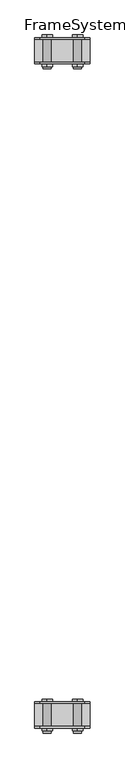
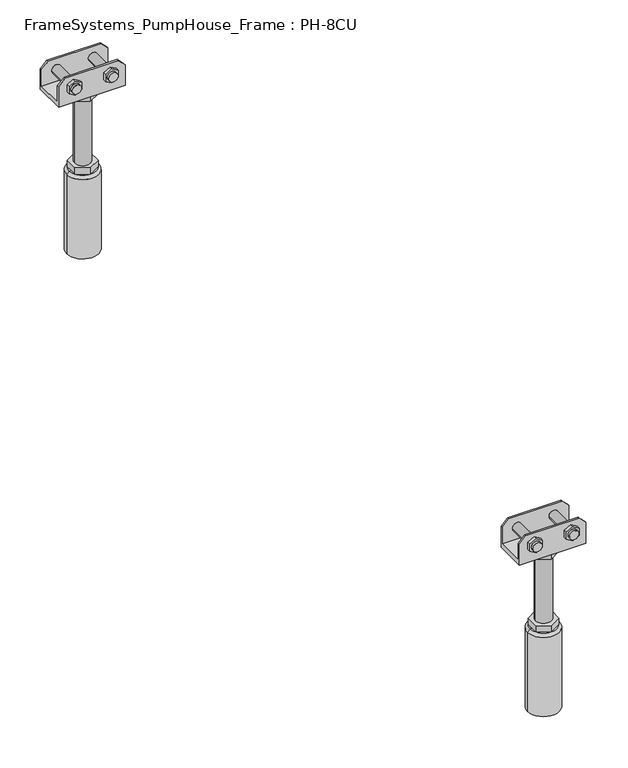
"""IFC4 building model written with IfcOpenShell, lengths in millimetres: beam geometry, FrameSystems_PumpHouse_Frame : PH-8CU."""

import ifcopenshell
import ifcopenshell.guid

model = None  # the IFC model being written
_history = None  # IfcOwnerHistory: only IFC2X3 demands one
_inside = {}  # id of a spatial element -> (the spatial element, [elements in it])
_under = {}  # id of a project, library or spatial element -> (it, [spatial elements below it])
_declared = {}  # id of a project -> (the project, [libraries it declares])
_typed = {}  # id of a type object -> (the type object, [elements of that type])
_made_of = {}  # id of a material, layer set ... -> (it, [elements and type objects made of it])


def new_model(schema):
    """Start an empty IFC model of exactly this schema.

    Asked for "IFC4X3", IfcOpenShell would pick the latest addendum, in which some entities
    have other attributes; the version numbers below select the first issue.
    IFC2X3 requires an IfcOwnerHistory on every rooted entity: one is made here for all.
    """
    global model, _history
    if schema == "IFC4X3":
        model = ifcopenshell.file(schema_version=(4, 3, 0, 0))
    else:
        model = ifcopenshell.file(schema=schema)
    _inside.clear()
    _under.clear()
    _declared.clear()
    _typed.clear()
    _made_of.clear()
    _history = None
    if model.schema == "IFC2X3":
        org = make("IfcOrganization", Name="unknown")
        user = make(
            "IfcPersonAndOrganization",
            ThePerson=make("IfcPerson", FamilyName="unknown"),
            TheOrganization=org,
        )
        app = make(
            "IfcApplication",
            ApplicationDeveloper=org,
            Version="unknown",
            ApplicationFullName="unknown",
            ApplicationIdentifier="unknown",
        )
        _history = make(
            "IfcOwnerHistory",
            OwningUser=user,
            OwningApplication=app,
            ChangeAction="ADDED",
            CreationDate=0,
        )
    return model


def make(cls, **values):
    """One entity of the class cls with the attributes given. An attribute that is None is left unset."""
    return model.create_entity(
        cls, **{name: value for name, value in values.items() if value is not None}
    )


def rooted(cls, **values):
    """An entity with a GlobalId (a new one), such as an element, a storey or a relation."""
    return make(cls, GlobalId=ifcopenshell.guid.new(), OwnerHistory=_history, **values)


def si_unit(unit_type, name, prefix=None):
    """IfcSIUnit, for example si_unit("LENGTHUNIT", "METRE", prefix="MILLI")."""
    return make("IfcSIUnit", UnitType=unit_type, Prefix=prefix, Name=name)


def assignment(units):
    """IfcUnitAssignment: the units of a project."""
    return None if units is None else make("IfcUnitAssignment", Units=units)


def point(xyz):
    """IfcCartesianPoint."""
    return None if xyz is None else make("IfcCartesianPoint", Coordinates=xyz)


def direction(xyz):
    """IfcDirection."""
    return None if xyz is None else make("IfcDirection", DirectionRatios=xyz)


def frame(location, z_axis=None, x_axis=None):
    """IfcAxis2Placement3D, a coordinate frame: its origin and axes. An axis left out is left unset."""
    return make(
        "IfcAxis2Placement3D",
        Location=point(location),
        Axis=direction(z_axis),
        RefDirection=direction(x_axis),
    )


def origin():
    """The frame at (0, 0, 0) with its axes left unset."""
    return frame((0.0, 0.0, 0.0))


def place(relative_to, where):
    """IfcLocalPlacement: puts the frame where relative to a parent placement (None: the world)."""
    return make(
        "IfcLocalPlacement", PlacementRelTo=relative_to, RelativePlacement=where
    )


def context(
    kind, dimensions, precision=None, world=None, true_north=None, identifier=None
):
    """IfcGeometricRepresentationContext, for example the 3D "Model" context."""
    return make(
        "IfcGeometricRepresentationContext",
        ContextIdentifier=identifier,
        ContextType=kind,
        CoordinateSpaceDimension=dimensions,
        Precision=precision,
        WorldCoordinateSystem=world,
        TrueNorth=true_north,
    )


def project(units=None, contexts=None):
    """IfcProject with its units and contexts."""
    return rooted(
        "IfcProject",
        Name="project",
        RepresentationContexts=contexts,
        UnitsInContext=assignment(units),
    )


def spatial(cls, under=None, at=None, **own):
    """A site, building, storey or space (cls), placed at a placement, below another one or the project."""
    s = rooted(cls, ObjectPlacement=at, **own)
    if under is not None:
        _under.setdefault(under.id(), (under, []))[1].append(s)
    return s


def polyline(points):
    """IfcPolyline through the points."""
    return make("IfcPolyline", Points=[point(p) for p in points])


def circle_curve(where, radius):
    """IfcCircle in the frame where."""
    return make("IfcCircle", Position=where, Radius=radius)


def shape(context_of_items, identifier, shape_type, items):
    """IfcShapeRepresentation: the items that make up one representation, for example the "Body"."""
    return make(
        "IfcShapeRepresentation",
        ContextOfItems=context_of_items,
        RepresentationIdentifier=identifier,
        RepresentationType=shape_type,
        Items=items,
    )


def source(mapping_origin, context_of_items, identifier, shape_type, items):
    """IfcRepresentationMap: a shape defined once, which mapped items show again and again."""
    return make(
        "IfcRepresentationMap",
        MappingOrigin=mapping_origin,
        MappedRepresentation=shape(context_of_items, identifier, shape_type, items),
    )


def transform(
    local_origin,
    x_axis=None,
    y_axis=None,
    z_axis=None,
    scale=None,
    scale2=None,
    scale3=None,
    uniform=True,
):
    """IfcCartesianTransformationOperator3D, or its non-uniform kind. x_axis, y_axis, z_axis: its Axis1, 2, 3."""
    if uniform:
        return make(
            "IfcCartesianTransformationOperator3D",
            Axis1=direction(x_axis),
            Axis2=direction(y_axis),
            LocalOrigin=point(local_origin),
            Scale=scale,
            Axis3=direction(z_axis),
        )
    return make(
        "IfcCartesianTransformationOperator3DnonUniform",
        Axis1=direction(x_axis),
        Axis2=direction(y_axis),
        LocalOrigin=point(local_origin),
        Scale=scale,
        Axis3=direction(z_axis),
        Scale2=scale2,
        Scale3=scale3,
    )


def mapped(mapping_source, mapping_target):
    """IfcMappedItem: shows the shape of a source again, moved by a transform."""
    return make(
        "IfcMappedItem", MappingSource=mapping_source, MappingTarget=mapping_target
    )


def made_of(thing, what):
    """Note that an element or type object is made of a material, layer set ...; save() writes the relation."""
    if what is not None:
        _made_of.setdefault(what.id(), (what, []))[1].append(thing)
    return thing


def element(
    cls,
    number,
    at=None,
    inside=None,
    cuts=None,
    type_object=None,
    material=None,
    context=None,
    identifier="Body",
    shape_type=None,
    held_by="IfcProductDefinitionShape",
    body=None,
    shapes=None,
    **own,
):
    """One element of the class cls, such as IfcWall. Its Tag is "e" and its number.

    at: its placement. inside: the storey or other place that contains it. cuts: it is an
    opening in that element (IfcRelVoidsElement). A single representation is given by context,
    identifier, shape_type and body (its items); several are given by shapes. held_by: the class
    of the entity that holds the representations. save() writes the other relations.
    """
    e = rooted(cls, Tag="e%d" % number, ObjectPlacement=at, **own)
    if body is not None:
        shapes = [shape(context, identifier, shape_type, body)]
    if shapes is not None:
        e.Representation = make(held_by, Representations=shapes)
    if inside is not None:
        _inside.setdefault(inside.id(), (inside, []))[1].append(e)
    if cuts is not None:
        rooted(
            "IfcRelVoidsElement", RelatingBuildingElement=cuts, RelatedOpeningElement=e
        )
    if type_object is not None:
        _typed.setdefault(type_object.id(), (type_object, []))[1].append(e)
    return made_of(e, material)


def aggregate(whole, parts):
    """IfcRelAggregates: a whole, such as a stair, and the parts it consists of."""
    return rooted("IfcRelAggregates", RelatingObject=whole, RelatedObjects=parts)


def save(model, path):
    """Write the relations noted so far, then the file.

    IfcRelAggregates (storeys below a building ...), IfcRelContainedInSpatialStructure (elements
    in a storey), IfcRelDefinesByType, IfcRelAssociatesMaterial and IfcRelDeclares: one each for
    every whole, place, type object, material and project.
    """
    for whole, parts in _under.values():
        aggregate(whole, parts)
    for where, things in _inside.values():
        rooted(
            "IfcRelContainedInSpatialStructure",
            RelatedElements=things,
            RelatingStructure=where,
        )
    for kind, things in _typed.values():
        rooted("IfcRelDefinesByType", RelatedObjects=things, RelatingType=kind)
    for what, things in _made_of.values():
        rooted("IfcRelAssociatesMaterial", RelatedObjects=things, RelatingMaterial=what)
    for by, libraries in _declared.values():
        rooted("IfcRelDeclares", RelatingContext=by, RelatedDefinitions=libraries)
    model.write(path)


def plane_surface(at):
    """IfcPlane: the flat surface through the origin of the frame at, square to its z axis."""
    return make("IfcPlane", Position=at)


def cylinder_surface(at, radius):
    """IfcCylindricalSurface: all points at the distance radius from the z axis of the frame at."""
    return make("IfcCylindricalSurface", Position=at, Radius=radius)


def revolved_surface(curve, axis_point, axis_direction):
    """IfcSurfaceOfRevolution: the curve turned about the line through axis_point along axis_direction."""
    return make(
        "IfcSurfaceOfRevolution",
        SweptCurve=make("IfcArbitraryOpenProfileDef", ProfileType="CURVE", Curve=curve),
        AxisPosition=make("IfcAxis1Placement", Location=point(axis_point), Axis=direction(axis_direction)),
    )


def advanced_brep(points, edges, surfaces, faces):
    """IfcAdvancedBrep: a solid bounded by faces that lie on surfaces and meet in shared edges.

    An edge is (start, end): straight between two places in points (the first is 0);
    or (start, end, curve); or (start, end, curve, False) where it runs against its curve.
    A face is (place in surfaces, loops), or (place, loops, False) where it looks against
    its surface's normal. A loop lists edges by number (the first is 1), with a minus sign
    where the edge is run from its end to its start. The first loop is the outer one.
    """
    corners = [point(p) for p in points]
    vertices = [make("IfcVertexPoint", VertexGeometry=c) for c in corners]
    made = []
    for start, end, *more in edges:
        made.append(
            make(
                "IfcEdgeCurve",
                EdgeStart=vertices[start],
                EdgeEnd=vertices[end],
                EdgeGeometry=more[0] if more else make("IfcPolyline", Points=[corners[start], corners[end]]),
                SameSense=more[1] if len(more) > 1 else True,
            )
        )
    hull = []
    for where, loops, *sense in faces:
        bounds = []
        for j, loop in enumerate(loops):
            ring = [make("IfcOrientedEdge", EdgeElement=made[abs(k) - 1], Orientation=k > 0) for k in loop]
            bounds.append(
                make(
                    "IfcFaceOuterBound" if j == 0 else "IfcFaceBound",
                    Bound=make("IfcEdgeLoop", EdgeList=ring),
                    Orientation=True,
                )
            )
        hull.append(make("IfcAdvancedFace", Bounds=bounds, FaceSurface=surfaces[where], SameSense=sense[0] if sense else True))
    return make("IfcAdvancedBrep", Outer=make("IfcClosedShell", CfsFaces=hull))


def framesystems_pumphouse_frame_ph_8cu_a169cb61(model_context):
    return source(origin(), model_context, "Body", "AdvancedBrep", [
        advanced_brep(
        [(2440.0, 1179.25, 316.0), (2450.0, 1179.25, 306.0), (2450.0, 1179.25, 280.0), (2350.0, 1179.25, 280.0), (2350.0, 1179.25, 306.0), (2360.0, 1179.25, 316.0), (2434.5, 1179.25, 299.0), (2420.5, 1179.25, 299.0), (2379.5, 1179.25, 299.0), (2365.5, 1179.25, 299.0), (2440.0, 1176.25, 316.0), (2360.0, 1176.25, 316.0), (2350.0, 1176.25, 306.0), (2350.0, 1176.25, 273.0), (2450.0, 1176.25, 273.0), (2450.0, 1176.25, 306.0), (2417.9194511, 1176.25, 293.4686675), (2417.9194511, 1176.25, 304.5313325), (2427.5, 1176.25, 310.062665), (2437.0805489, 1176.25, 304.5313325), (2437.0805489, 1176.25, 293.4686675), (2427.5, 1176.25, 287.937335), (2362.9194511, 1176.25, 293.4686675), (2362.9194511, 1176.25, 304.5313325), (2372.5, 1176.25, 310.062665), (2382.0805489, 1176.25, 304.5313325), (2382.0805489, 1176.25, 293.4686675), (2372.5, 1176.25, 287.937335), (2440.0, 1223.653247, 316.0), (2450.0, 1223.653247, 306.0), (2450.0, 1223.653247, 273.0), (2350.0, 1223.653247, 273.0), (2350.0, 1223.653247, 306.0), (2360.0, 1223.653247, 316.0), (2437.0805489, 1223.653247, 304.5313325), (2427.5, 1223.653247, 310.062665), (2417.9194511, 1223.653247, 304.5313325), (2417.9194511, 1223.653247, 293.4686675), (2427.5, 1223.653247, 287.937335), (2437.0805489, 1223.653247, 293.4686675), (2382.0805489, 1223.653247, 304.5313325), (2372.5, 1223.653247, 310.062665), (2362.9194511, 1223.653247, 304.5313325), (2362.9194511, 1223.653247, 293.4686675), (2372.5, 1223.653247, 287.937335), (2382.0805489, 1223.653247, 293.4686675), (2350.0, 1220.75, 280.0), (2350.0, 1220.75, 306.0), (2450.0, 1220.75, 280.0), (2450.0, 1220.75, 306.0), (2440.0, 1220.75, 316.0), (2360.0, 1220.75, 316.0), (2420.5, 1220.75, 299.0), (2434.5, 1220.75, 299.0), (2365.5, 1220.75, 299.0), (2379.5, 1220.75, 299.0), (2382.6794919, 1210.0, 273.0), (2382.6794919, 1190.0, 273.0), (2400.0, 1180.0, 273.0), (2417.3205081, 1190.0, 273.0), (2417.3205081, 1210.0, 273.0), (2400.0, 1220.0, 273.0), (2420.5, 1167.3051094, 299.0), (2434.5, 1167.3051094, 299.0), (2365.5, 1167.3051094, 299.0), (2379.5, 1167.3051094, 299.0), (2434.5, 1171.25, 299.0), (2420.5, 1171.25, 299.0), (2379.5, 1171.25, 299.0), (2365.5, 1171.25, 299.0), (2427.5, 1228.653247, 310.062665), (2437.0805489, 1228.653247, 304.5313325), (2437.0805489, 1228.653247, 293.4686675), (2427.5, 1228.653247, 287.937335), (2417.9194511, 1228.653247, 293.4686675), (2417.9194511, 1228.653247, 304.5313325), (2372.5, 1228.653247, 310.062665), (2382.0805489, 1228.653247, 304.5313325), (2382.0805489, 1228.653247, 293.4686675), (2372.5, 1228.653247, 287.937335), (2362.9194511, 1228.653247, 293.4686675), (2362.9194511, 1228.653247, 304.5313325), (2388.0, 1200.0, 263.0), (2388.0, 1200.0, 157.0), (2412.0, 1200.0, 157.0), (2412.0, 1200.0, 263.0), (2382.6794919, 1210.0, 263.0), (2400.0, 1220.0, 263.0), (2417.3205081, 1210.0, 263.0), (2417.3205081, 1190.0, 263.0), (2400.0, 1180.0, 263.0), (2382.6794919, 1190.0, 263.0), (2382.6794919, 1210.0, 157.0), (2382.6794919, 1190.0, 157.0), (2400.0, 1180.0, 157.0), (2417.3205081, 1190.0, 157.0), (2417.3205081, 1210.0, 157.0), (2400.0, 1220.0, 157.0), (2382.6794919, 1210.0, 147.0), (2382.6794919, 1200.0, 147.0), (2382.6794919, 1190.0, 147.0), (2400.0, 1180.0, 147.0), (2417.3205081, 1190.0, 147.0), (2417.3205081, 1200.0, 147.0), (2417.3205081, 1210.0, 147.0), (2400.0, 1220.0, 147.0), (2380.0, 1200.0, 147.0), (2420.0, 1200.0, 147.0), (2424.0, 1200.0, 143.0), (2376.0, 1200.0, 143.0), (2424.0, 1200.0, 17.0), (2376.0, 1200.0, 17.0), (2400.0, 1200.0, 17.0), (2417.9194511, 1171.25, 304.5313325), (2417.9194511, 1171.25, 293.4686675), (2427.5, 1171.25, 287.937335), (2437.0805489, 1171.25, 293.4686675), (2437.0805489, 1171.25, 304.5313325), (2427.5, 1171.25, 310.062665), (2362.9194511, 1171.25, 304.5313325), (2362.9194511, 1171.25, 293.4686675), (2372.5, 1171.25, 287.937335), (2382.0805489, 1171.25, 293.4686675), (2382.0805489, 1171.25, 304.5313325), (2372.5, 1171.25, 310.062665)],
        [
            (0, 1),
            (1, 2),
            (2, 3),
            (3, 4),
            (4, 5),
            (5, 0),
            (6, 7, circle_curve(frame((2427.5, 1179.25, 299.0), z_axis=(0.0, -1.0, 0.0), x_axis=(-1.0, 0.0, 0.0)), 7.0)),
            (7, 6, circle_curve(frame((2427.5, 1179.25, 299.0), z_axis=(0.0, -1.0, 0.0), x_axis=(-1.0, 0.0, 0.0)), 7.0)),
            (8, 9, circle_curve(frame((2372.5, 1179.25, 299.0), z_axis=(0.0, -1.0, 0.0), x_axis=(-1.0, 0.0, 0.0)), 7.0)),
            (9, 8, circle_curve(frame((2372.5, 1179.25, 299.0), z_axis=(0.0, -1.0, 0.0), x_axis=(-1.0, 0.0, 0.0)), 7.0)),
            (10, 11),
            (11, 12),
            (12, 13),
            (13, 14),
            (14, 15),
            (15, 10),
            (16, 17),
            (17, 18),
            (18, 19),
            (19, 20),
            (20, 21),
            (21, 16),
            (22, 23),
            (23, 24),
            (24, 25),
            (25, 26),
            (26, 27),
            (27, 22),
            (5, 11),
            (10, 0),
            (4, 12),
            (15, 1),
            (28, 29),
            (29, 30),
            (30, 31),
            (31, 32),
            (32, 33),
            (33, 28),
            (34, 35),
            (35, 36),
            (36, 37),
            (37, 38),
            (38, 39),
            (39, 34),
            (40, 41),
            (41, 42),
            (42, 43),
            (43, 44),
            (44, 45),
            (45, 40),
            (46, 47),
            (47, 32),
            (31, 13),
            (3, 46),
            (46, 48),
            (48, 49),
            (49, 50),
            (50, 51),
            (51, 47),
            (52, 53, circle_curve(frame((2427.5, 1220.75, 299.0), z_axis=(0.0, 1.0, 0.0), x_axis=(-1.0, 0.0, 0.0)), 7.0)),
            (53, 52, circle_curve(frame((2427.5, 1220.75, 299.0), z_axis=(0.0, 1.0, 0.0), x_axis=(-1.0, 0.0, 0.0)), 7.0)),
            (54, 55, circle_curve(frame((2372.5, 1220.75, 299.0), z_axis=(0.0, 1.0, 0.0), x_axis=(-1.0, 0.0, 0.0)), 7.0)),
            (55, 54, circle_curve(frame((2372.5, 1220.75, 299.0), z_axis=(0.0, 1.0, 0.0), x_axis=(-1.0, 0.0, 0.0)), 7.0)),
            (48, 2),
            (14, 30),
            (29, 49),
            (50, 28),
            (33, 51),
            (56, 57),
            (57, 58),
            (58, 59),
            (59, 60),
            (60, 61),
            (61, 56),
            (62, 63, circle_curve(frame((2427.5, 1167.3051094, 299.0), z_axis=(0.0, -1.0, 0.0), x_axis=(-1.0, 0.0, 0.0)), 7.0)),
            (63, 62, circle_curve(frame((2427.5, 1167.3051094, 299.0), z_axis=(0.0, -1.0, 0.0), x_axis=(-1.0, 0.0, 0.0)), 7.0)),
            (64, 65, circle_curve(frame((2372.5, 1167.3051094, 299.0), z_axis=(0.0, -1.0, 0.0), x_axis=(-1.0, 0.0, 0.0)), 7.0)),
            (65, 64, circle_curve(frame((2372.5, 1167.3051094, 299.0), z_axis=(0.0, -1.0, 0.0), x_axis=(-1.0, 0.0, 0.0)), 7.0)),
            (63, 66),
            (66, 67, circle_curve(frame((2427.5, 1171.25, 299.0), z_axis=(0.0, -1.0, 0.0), x_axis=(-1.0, 0.0, 0.0)), 7.0)),
            (67, 62),
            (6, 53),
            (52, 7),
            (67, 66, circle_curve(frame((2427.5, 1171.25, 299.0), z_axis=(0.0, -1.0, 0.0), x_axis=(-1.0, 0.0, 0.0)), 7.0)),
            (65, 68),
            (68, 69, circle_curve(frame((2372.5, 1171.25, 299.0), z_axis=(0.0, -1.0, 0.0), x_axis=(-1.0, 0.0, 0.0)), 7.0)),
            (69, 64),
            (8, 55),
            (54, 9),
            (69, 68, circle_curve(frame((2372.5, 1171.25, 299.0), z_axis=(0.0, -1.0, 0.0), x_axis=(-1.0, 0.0, 0.0)), 7.0)),
            (70, 71),
            (71, 72),
            (72, 73),
            (73, 74),
            (74, 75),
            (75, 70),
            (76, 77),
            (77, 78),
            (78, 79),
            (79, 80),
            (80, 81),
            (81, 76),
            (70, 35),
            (34, 71),
            (39, 72),
            (38, 73),
            (37, 74),
            (36, 75),
            (76, 41),
            (40, 77),
            (45, 78),
            (44, 79),
            (43, 80),
            (42, 81),
            (82, 83),
            (83, 84, circle_curve(frame((2400.0, 1200.0, 157.0), z_axis=(0.0, 0.0, 1.0), x_axis=(1.0, 0.0, 0.0)), 12.0)),
            (84, 85),
            (85, 82, circle_curve(frame((2400.0, 1200.0, 263.0), z_axis=(0.0, 0.0, -1.0), x_axis=(1.0, 0.0, 0.0)), 12.0)),
            (82, 85, circle_curve(frame((2400.0, 1200.0, 263.0), z_axis=(0.0, 0.0, -1.0), x_axis=(1.0, 0.0, 0.0)), 12.0)),
            (84, 83, circle_curve(frame((2400.0, 1200.0, 157.0), z_axis=(0.0, 0.0, 1.0), x_axis=(1.0, 0.0, 0.0)), 12.0)),
            (86, 87),
            (87, 88),
            (88, 89),
            (89, 90),
            (90, 91),
            (91, 86),
            (91, 57),
            (56, 86),
            (90, 58),
            (89, 59),
            (88, 60),
            (87, 61),
            (92, 93),
            (93, 94),
            (94, 95),
            (95, 96),
            (96, 97),
            (97, 92),
            (92, 98),
            (98, 99),
            (99, 100),
            (100, 93),
            (100, 101),
            (101, 94),
            (101, 102),
            (102, 95),
            (102, 103),
            (103, 104),
            (104, 96),
            (104, 105),
            (105, 97),
            (105, 98),
            (98, 106, circle_curve(frame((2400.0, 1200.0, 147.0), z_axis=(0.0, 0.0, 1.0), x_axis=(-1.0, 0.0, 0.0)), 20.0)),
            (106, 99),
            (105, 98, circle_curve(frame((2400.0, 1200.0, 147.0), z_axis=(0.0, 0.0, 1.0), x_axis=(-1.0, 0.0, 0.0)), 20.0)),
            (104, 105, circle_curve(frame((2400.0, 1200.0, 147.0), z_axis=(0.0, 0.0, 1.0), x_axis=(-1.0, 0.0, 0.0)), 20.0)),
            (107, 104, circle_curve(frame((2400.0, 1200.0, 147.0), z_axis=(0.0, 0.0, 1.0), x_axis=(-1.0, 0.0, 0.0)), 20.0)),
            (103, 107),
            (102, 107, circle_curve(frame((2400.0, 1200.0, 147.0), z_axis=(0.0, 0.0, 1.0), x_axis=(-1.0, 0.0, 0.0)), 20.0)),
            (101, 102, circle_curve(frame((2400.0, 1200.0, 147.0), z_axis=(0.0, 0.0, 1.0), x_axis=(-1.0, 0.0, 0.0)), 20.0)),
            (100, 101, circle_curve(frame((2400.0, 1200.0, 147.0), z_axis=(0.0, 0.0, 1.0), x_axis=(-1.0, 0.0, 0.0)), 20.0)),
            (106, 100, circle_curve(frame((2400.0, 1200.0, 147.0), z_axis=(0.0, 0.0, 1.0), x_axis=(-1.0, 0.0, 0.0)), 20.0)),
            (108, 109, circle_curve(frame((2400.0, 1200.0, 143.0), z_axis=(0.0, 0.0, 1.0), x_axis=(-1.0, 0.0, 0.0)), 24.0)),
            (109, 106),
            (107, 108),
            (109, 108, circle_curve(frame((2400.0, 1200.0, 143.0), z_axis=(0.0, 0.0, 1.0), x_axis=(-1.0, 0.0, 0.0)), 24.0)),
            (108, 110),
            (110, 111, circle_curve(frame((2400.0, 1200.0, 17.0), z_axis=(0.0, 0.0, 1.0), x_axis=(-1.0, 0.0, 0.0)), 24.0)),
            (111, 109),
            (111, 110, circle_curve(frame((2400.0, 1200.0, 17.0), z_axis=(0.0, 0.0, 1.0), x_axis=(-1.0, 0.0, 0.0)), 24.0)),
            (110, 112),
            (112, 111),
            (113, 114),
            (114, 115),
            (115, 116),
            (116, 117),
            (117, 118),
            (118, 113),
            (113, 17),
            (16, 114),
            (21, 115),
            (20, 116),
            (19, 117),
            (18, 118),
            (119, 120),
            (120, 121),
            (121, 122),
            (122, 123),
            (123, 124),
            (124, 119),
            (119, 23),
            (22, 120),
            (27, 121),
            (26, 122),
            (25, 123),
            (24, 124),
        ],
        [
            plane_surface(frame((2384.0150941, 1179.25, 316.0), z_axis=(0.0, 1.0, 0.0), x_axis=(1.0, 0.0, 0.0))),
            plane_surface(frame((2384.0150941, 1176.25, 316.0), z_axis=(0.0, -1.0, 0.0), x_axis=(-1.0, 0.0, 0.0))),
            plane_surface(frame((2440.0, 1176.25, 316.0), z_axis=(0.0, 0.0, 1.0), x_axis=(0.0, 1.0, 0.0))),
            plane_surface(frame((2360.0, 1176.25, 316.0), z_axis=(-0.7071067811865467, 0.0, 0.7071067811865485), x_axis=(0.0, 1.0, 0.0))),
            plane_surface(frame((2450.0, 1176.25, 306.0), z_axis=(0.7071067811865488, 0.0, 0.7071067811865464), x_axis=(0.0, 1.0, 0.0))),
            plane_surface(frame((2450.0, 1223.653247, 306.0), z_axis=(0.0, 1.0, 0.0), x_axis=(0.0, 0.0, -1.0))),
            plane_surface(frame((2350.0, 1223.653247, 306.0), z_axis=(-1.0, 0.0, 0.0), x_axis=(0.0, 0.0, -1.0))),
            plane_surface(frame((2350.0, 1220.75, 306.0), z_axis=(0.0, -1.0, 0.0), x_axis=(0.0, 0.0, -1.0))),
            plane_surface(frame((2450.0, 1220.75, 306.0), z_axis=(1.0, 0.0, 0.0), x_axis=(0.0, 0.0, -1.0))),
            plane_surface(frame((2360.0, 1223.75, 316.0), z_axis=(0.0, 0.0, 1.0), x_axis=(0.0, -1.0, 0.0))),
            plane_surface(frame((2350.0, 1223.75, 306.0), z_axis=(-0.7071067811865467, 0.0, 0.7071067811865485), x_axis=(0.0, -1.0, 0.0))),
            plane_surface(frame((2440.0, 1223.75, 316.0), z_axis=(0.7071067811865493, 0.0, 0.7071067811865457), x_axis=(0.0, -1.0, 0.0))),
            plane_surface(frame((2400.0, 1223.75, 280.0), z_axis=(0.0, 0.0, 1.0), x_axis=(-1.0, 0.0, 0.0))),
            plane_surface(frame((2400.0, 1223.75, 273.0), z_axis=(0.0, 0.0, -1.0), x_axis=(1.0, 0.0, 0.0))),
            plane_surface(frame((2420.5, 1167.3051094, 299.0), z_axis=(0.0, -1.0, 0.0), x_axis=(0.0, 0.0, -1.0))),
            cylinder_surface(frame((2427.5, 1167.3051094, 299.0), z_axis=(0.0, 1.0, 0.0), x_axis=(-1.0, 0.0, 0.0)), 7.0),
            cylinder_surface(frame((2372.5, 1223.653247, 299.0), z_axis=(0.0, 1.0, 0.0), x_axis=(-1.0, 0.0, 0.0)), 7.0),
            plane_surface(frame((2427.5, 1228.653247, 310.062665), z_axis=(0.0, 1.0000000000000002, 0.0), x_axis=(0.8660254037844375, 0.0, -0.5000000000000022))),
            plane_surface(frame((2427.5, 1228.653247, 310.062665), z_axis=(0.5000000000000022, 0.0, 0.8660254037844375), x_axis=(0.0, -1.0, 0.0))),
            plane_surface(frame((2437.0805489, 1228.653247, 304.5313325), z_axis=(1.0, 0.0, 0.0), x_axis=(0.0, -1.0, 0.0))),
            plane_surface(frame((2437.0805489, 1228.653247, 293.4686675), z_axis=(0.4999999999999969, 0.0, -0.8660254037844405), x_axis=(0.0, -1.0, 0.0))),
            plane_surface(frame((2427.5, 1228.653247, 287.937335), z_axis=(-0.5000000000000034, 0.0, -0.8660254037844367), x_axis=(0.0, -1.0, 0.0))),
            plane_surface(frame((2417.9194511, 1228.653247, 293.4686675), z_axis=(-1.0, 0.0, 0.0), x_axis=(0.0, -1.0, 0.0))),
            plane_surface(frame((2417.9194511, 1228.653247, 304.5313325), z_axis=(-0.49999999999999684, 0.0, 0.8660254037844405), x_axis=(0.0, -1.0, 0.0))),
            plane_surface(frame((2372.5, 1228.653247, 310.062665), z_axis=(0.5000000000000023, 0.0, 0.8660254037844374), x_axis=(0.0, -1.0, 0.0))),
            plane_surface(frame((2382.0805489, 1228.653247, 304.5313325), z_axis=(1.0, 0.0, 0.0), x_axis=(0.0, -1.0, 0.0))),
            plane_surface(frame((2382.0805489, 1228.653247, 293.4686675), z_axis=(0.4999999999999969, 0.0, -0.8660254037844405), x_axis=(0.0, -1.0, 0.0))),
            plane_surface(frame((2372.5, 1228.653247, 287.937335), z_axis=(-0.5000000000000033, 0.0, -0.8660254037844368), x_axis=(0.0, -1.0, 0.0))),
            plane_surface(frame((2362.9194511, 1228.653247, 293.4686675), z_axis=(-1.0, 0.0, 0.0), x_axis=(0.0, -1.0, 0.0))),
            plane_surface(frame((2362.9194511, 1228.653247, 304.5313325), z_axis=(-0.4999999999999967, 0.0, 0.8660254037844405), x_axis=(0.0, -1.0, 0.0))),
            cylinder_surface(frame((2400.0, 1200.0, 157.0), z_axis=(0.0, 0.0, 1.0), x_axis=(1.0, 0.0, 0.0)), 12.0),
            plane_surface(frame((2382.6794919, 1210.0, 263.0), z_axis=(0.0, 0.0, -1.0), x_axis=(0.0, 1.0, 0.0))),
            plane_surface(frame((2382.6794919, 1210.0, 273.0), z_axis=(-1.0, 0.0, 0.0), x_axis=(0.0, 0.0, -1.0))),
            plane_surface(frame((2382.6794919, 1190.0, 273.0), z_axis=(-0.5000000000000034, -0.8660254037844367, 0.0), x_axis=(0.0, 0.0, -1.0))),
            plane_surface(frame((2400.0, 1180.0, 273.0), z_axis=(0.4999999999999958, -0.8660254037844412, 0.0), x_axis=(0.0, 0.0, -1.0))),
            plane_surface(frame((2417.3205081, 1190.0, 273.0), z_axis=(1.0, 0.0, 0.0), x_axis=(0.0, 0.0, -1.0))),
            plane_surface(frame((2417.3205081, 1210.0, 273.0), z_axis=(0.5000000000000064, 0.866025403784435, 0.0), x_axis=(0.0, 0.0, -1.0))),
            plane_surface(frame((2400.0, 1220.0, 273.0), z_axis=(-0.4999999999999984, 0.8660254037844396, 0.0), x_axis=(0.0, 0.0, -1.0))),
            plane_surface(frame((2382.6794919, 1210.0, 157.0), z_axis=(0.0, 0.0, 1.0), x_axis=(0.0, -1.0, 0.0))),
            plane_surface(frame((2382.6794919, 1210.0, 157.0), z_axis=(-1.0, 0.0, 0.0), x_axis=(0.0, 0.0, -1.0))),
            plane_surface(frame((2382.6794919, 1190.0, 157.0), z_axis=(-0.5000000000000034, -0.8660254037844367, 0.0), x_axis=(0.0, 0.0, -1.0))),
            plane_surface(frame((2400.0, 1180.0, 157.0), z_axis=(0.49999999999999545, -0.8660254037844413, 0.0), x_axis=(0.0, 0.0, -1.0))),
            plane_surface(frame((2417.3205081, 1190.0, 157.0), z_axis=(1.0, 0.0, 0.0), x_axis=(0.0, 0.0, -1.0))),
            plane_surface(frame((2417.3205081, 1210.0, 157.0), z_axis=(0.5000000000000064, 0.866025403784435, 0.0), x_axis=(0.0, 0.0, -1.0))),
            plane_surface(frame((2400.0, 1220.0, 157.0), z_axis=(-0.49999999999999845, 0.8660254037844396, 0.0), x_axis=(0.0, 0.0, -1.0))),
            plane_surface(frame((2400.0, 1200.0, 147.0), z_axis=(0.0, 0.0, 1.0), x_axis=(-1.0, 0.0, 0.0))),
            revolved_surface(polyline([(2380.0, 1200.0, 147.0), (2376.0, 1200.0, 143.0)]), (2400.0, 1200.0, 172.0), (0.0, 0.0, -1.0)),
            cylinder_surface(frame((2400.0, 1200.0, 172.0), z_axis=(0.0, 0.0, -1.0), x_axis=(-1.0, 0.0, 0.0)), 24.0),
            plane_surface(frame((2400.0, 1200.0, 17.0), z_axis=(0.0, 0.0, -1.0), x_axis=(-1.0, 0.0, 0.0))),
            plane_surface(frame((2417.9194511, 1171.25, 304.5313325), z_axis=(0.0, -1.0, 0.0), x_axis=(0.0, 0.0, -1.0))),
            plane_surface(frame((2417.9194511, 1171.25, 304.5313325), z_axis=(-1.0, 0.0, 0.0), x_axis=(0.0, 1.0, 0.0))),
            plane_surface(frame((2417.9194511, 1171.25, 293.4686675), z_axis=(-0.500000000000003, 0.0, -0.866025403784437), x_axis=(0.0, 1.0, 0.0))),
            plane_surface(frame((2427.5, 1171.25, 287.937335), z_axis=(0.4999999999999972, 0.0, -0.8660254037844403), x_axis=(0.0, 1.0, 0.0))),
            plane_surface(frame((2437.0805489, 1171.25, 293.4686675), z_axis=(1.0, 0.0, 0.0), x_axis=(0.0, 1.0, 0.0))),
            plane_surface(frame((2437.0805489, 1171.25, 304.5313325), z_axis=(0.500000000000003, 0.0, 0.8660254037844369), x_axis=(0.0, 1.0, 0.0))),
            plane_surface(frame((2427.5, 1171.25, 310.062665), z_axis=(-0.49999999999999617, 0.0, 0.8660254037844409), x_axis=(0.0, 1.0, 0.0))),
            plane_surface(frame((2362.9194511, 1171.25, 304.5313325), z_axis=(0.0, -1.0, 0.0), x_axis=(0.0, 0.0, -1.0))),
            plane_surface(frame((2362.9194511, 1171.25, 304.5313325), z_axis=(-1.0, 0.0, 0.0), x_axis=(0.0, 1.0, 0.0))),
            plane_surface(frame((2362.9194511, 1171.25, 293.4686675), z_axis=(-0.5000000000000031, 0.0, -0.8660254037844368), x_axis=(0.0, 1.0, 0.0))),
            plane_surface(frame((2372.5, 1171.25, 287.937335), z_axis=(0.49999999999999717, 0.0, -0.8660254037844404), x_axis=(0.0, 1.0, 0.0))),
            plane_surface(frame((2382.0805489, 1171.25, 293.4686675), z_axis=(1.0, 0.0, 0.0), x_axis=(0.0, 1.0, 0.0))),
            plane_surface(frame((2382.0805489, 1171.25, 304.5313325), z_axis=(0.500000000000003, 0.0, 0.8660254037844369), x_axis=(0.0, 1.0, 0.0))),
            plane_surface(frame((2372.5, 1171.25, 310.062665), z_axis=(-0.4999999999999963, 0.0, 0.8660254037844408), x_axis=(0.0, 1.0, 0.0))),
        ],
        [
            (0, [[1, 2, 3, 4, 5, 6], [7, 8], [9, 10]]),
            (1, [[11, 12, 13, 14, 15, 16], [17, 18, 19, 20, 21, 22], [23, 24, 25, 26, 27, 28]]),
            (2, [[-6, 29, -11, 30]]),
            (3, [[-5, 31, -12, -29]]),
            (4, [[-1, -30, -16, 32]]),
            (5, [[33, 34, 35, 36, 37, 38], [39, 40, 41, 42, 43, 44], [45, 46, 47, 48, 49, 50]]),
            (6, [[51, 52, -36, 53, -13, -31, -4, 54]]),
            (7, [[-51, 55, 56, 57, 58, 59], [60, 61], [62, 63]]),
            (8, [[-56, 64, -2, -32, -15, 65, -34, 66]]),
            (9, [[-58, 67, -38, 68]]),
            (10, [[-59, -68, -37, -52]]),
            (11, [[-57, -66, -33, -67]]),
            (12, [[-64, -55, -54, -3]]),
            (13, [[-65, -14, -53, -35], [69, 70, 71, 72, 73, 74]]),
            (14, [[75, 76]]),
            (14, [[77, 78]]),
            (15, [[-76, 79, 80, 81]]),
            (15, [[82, -60, 83, -7]]),
            (15, [[-75, -81, 84, -79]]),
            (15, [[-82, -8, -83, -61]]),
            (16, [[-78, 85, 86, 87]]),
            (16, [[88, -62, 89, -9]]),
            (16, [[-77, -87, 90, -85]]),
            (16, [[-88, -10, -89, -63]]),
            (17, [[91, 92, 93, 94, 95, 96]]),
            (17, [[97, 98, 99, 100, 101, 102]]),
            (18, [[-91, 103, -39, 104]]),
            (19, [[-92, -104, -44, 105]]),
            (20, [[-93, -105, -43, 106]]),
            (21, [[-94, -106, -42, 107]]),
            (22, [[-95, -107, -41, 108]]),
            (23, [[-96, -108, -40, -103]]),
            (24, [[-97, 109, -45, 110]]),
            (25, [[-98, -110, -50, 111]]),
            (26, [[-99, -111, -49, 112]]),
            (27, [[-100, -112, -48, 113]]),
            (28, [[-101, -113, -47, 114]]),
            (29, [[-102, -114, -46, -109]]),
            (30, [[115, 116, 117, 118]]),
            (30, [[-115, 119, -117, 120]]),
            (31, [[121, 122, 123, 124, 125, 126], [-118, -119]]),
            (32, [[-126, 127, -69, 128]]),
            (33, [[-125, 129, -70, -127]]),
            (34, [[-124, 130, -71, -129]]),
            (35, [[-123, 131, -72, -130]]),
            (36, [[-122, 132, -73, -131]]),
            (37, [[-121, -128, -74, -132]]),
            (38, [[133, 134, 135, 136, 137, 138], [-116, -120]]),
            (39, [[-133, 139, 140, 141, 142]]),
            (40, [[-134, -142, 143, 144]]),
            (41, [[-135, -144, 145, 146]]),
            (42, [[-136, -146, 147, 148, 149]]),
            (43, [[-137, -149, 150, 151]]),
            (44, [[-138, -151, 152, -139]]),
            (45, [[153, 154, -140]]),
            (45, [[155, -152]]),
            (45, [[156, -150]]),
            (45, [[157, -148, 158]]),
            (45, [[159, -158, -147]]),
            (45, [[160, -145]]),
            (45, [[161, -143]]),
            (45, [[162, -141, -154]]),
            (46, [[163, 164, -153, -155, -156, -157, 165]]),
            (46, [[-164, 166, -165, -159, -160, -161, -162]]),
            (47, [[-163, 167, 168, 169]]),
            (47, [[-166, -169, 170, -167]]),
            (48, [[-168, 171, 172]]),
            (48, [[-170, -172, -171]]),
            (49, [[173, 174, 175, 176, 177, 178], [-80, -84]]),
            (50, [[-173, 179, -17, 180]]),
            (51, [[-174, -180, -22, 181]]),
            (52, [[-175, -181, -21, 182]]),
            (53, [[-176, -182, -20, 183]]),
            (54, [[-177, -183, -19, 184]]),
            (55, [[-178, -184, -18, -179]]),
            (56, [[185, 186, 187, 188, 189, 190], [-86, -90]]),
            (57, [[-185, 191, -23, 192]]),
            (58, [[-186, -192, -28, 193]]),
            (59, [[-187, -193, -27, 194]]),
            (60, [[-188, -194, -26, 195]]),
            (61, [[-189, -195, -25, 196]]),
            (62, [[-190, -196, -24, -191]]),
        ],
    ),
        advanced_brep(
        [(2440.0, -20.75, 316.0), (2450.0, -20.75, 306.0), (2450.0, -20.75, 280.0), (2350.0, -20.75, 280.0), (2350.0, -20.75, 306.0), (2360.0, -20.75, 316.0), (2434.5, -20.75, 299.0), (2420.5, -20.75, 299.0), (2379.5, -20.75, 299.0), (2365.5, -20.75, 299.0), (2440.0, -23.75, 316.0), (2360.0, -23.75, 316.0), (2350.0, -23.75, 306.0), (2350.0, -23.75, 273.0), (2450.0, -23.75, 273.0), (2450.0, -23.75, 306.0), (2417.9194511, -23.75, 293.4686675), (2417.9194511, -23.75, 304.5313325), (2427.5, -23.75, 310.062665), (2437.0805489, -23.75, 304.5313325), (2437.0805489, -23.75, 293.4686675), (2427.5, -23.75, 287.937335), (2362.9194511, -23.75, 293.4686675), (2362.9194511, -23.75, 304.5313325), (2372.5, -23.75, 310.062665), (2382.0805489, -23.75, 304.5313325), (2382.0805489, -23.75, 293.4686675), (2372.5, -23.75, 287.937335), (2440.0, 23.653247, 316.0), (2450.0, 23.653247, 306.0), (2450.0, 23.653247, 273.0), (2350.0, 23.653247, 273.0), (2350.0, 23.653247, 306.0), (2360.0, 23.653247, 316.0), (2437.0805489, 23.653247, 304.5313325), (2427.5, 23.653247, 310.062665), (2417.9194511, 23.653247, 304.5313325), (2417.9194511, 23.653247, 293.4686675), (2427.5, 23.653247, 287.937335), (2437.0805489, 23.653247, 293.4686675), (2382.0805489, 23.653247, 304.5313325), (2372.5, 23.653247, 310.062665), (2362.9194511, 23.653247, 304.5313325), (2362.9194511, 23.653247, 293.4686675), (2372.5, 23.653247, 287.937335), (2382.0805489, 23.653247, 293.4686675), (2350.0, 20.75, 280.0), (2350.0, 20.75, 306.0), (2450.0, 20.75, 280.0), (2450.0, 20.75, 306.0), (2440.0, 20.75, 316.0), (2360.0, 20.75, 316.0), (2420.5, 20.75, 299.0), (2434.5, 20.75, 299.0), (2365.5, 20.75, 299.0), (2379.5, 20.75, 299.0), (2382.6794919, 10.0, 273.0), (2382.6794919, -10.0, 273.0), (2400.0, -20.0, 273.0), (2417.3205081, -10.0, 273.0), (2417.3205081, 10.0, 273.0), (2400.0, 20.0, 273.0), (2420.5, -32.6948906, 299.0), (2434.5, -32.6948906, 299.0), (2365.5, -32.6948906, 299.0), (2379.5, -32.6948906, 299.0), (2434.5, -28.75, 299.0), (2420.5, -28.75, 299.0), (2379.5, -28.75, 299.0), (2365.5, -28.75, 299.0), (2427.5, 28.653247, 310.062665), (2437.0805489, 28.653247, 304.5313325), (2437.0805489, 28.653247, 293.4686675), (2427.5, 28.653247, 287.937335), (2417.9194511, 28.653247, 293.4686675), (2417.9194511, 28.653247, 304.5313325), (2372.5, 28.653247, 310.062665), (2382.0805489, 28.653247, 304.5313325), (2382.0805489, 28.653247, 293.4686675), (2372.5, 28.653247, 287.937335), (2362.9194511, 28.653247, 293.4686675), (2362.9194511, 28.653247, 304.5313325), (2388.0, 0.0, 263.0), (2388.0, 0.0, 157.0), (2412.0, 0.0, 157.0), (2412.0, 0.0, 263.0), (2382.6794919, 10.0, 263.0), (2400.0, 20.0, 263.0), (2417.3205081, 10.0, 263.0), (2417.3205081, -10.0, 263.0), (2400.0, -20.0, 263.0), (2382.6794919, -10.0, 263.0), (2382.6794919, 10.0, 157.0), (2382.6794919, -10.0, 157.0), (2400.0, -20.0, 157.0), (2417.3205081, -10.0, 157.0), (2417.3205081, 10.0, 157.0), (2400.0, 20.0, 157.0), (2382.6794919, 10.0, 147.0), (2382.6794919, 0.0, 147.0), (2382.6794919, -10.0, 147.0), (2400.0, -20.0, 147.0), (2417.3205081, -10.0, 147.0), (2417.3205081, 0.0, 147.0), (2417.3205081, 10.0, 147.0), (2400.0, 20.0, 147.0), (2380.0, 0.0, 147.0), (2420.0, 0.0, 147.0), (2424.0, 0.0, 143.0), (2376.0, 0.0, 143.0), (2424.0, 0.0, 17.0), (2376.0, 0.0, 17.0), (2400.0, 0.0, 17.0), (2417.9194511, -28.75, 304.5313325), (2417.9194511, -28.75, 293.4686675), (2427.5, -28.75, 287.937335), (2437.0805489, -28.75, 293.4686675), (2437.0805489, -28.75, 304.5313325), (2427.5, -28.75, 310.062665), (2362.9194511, -28.75, 304.5313325), (2362.9194511, -28.75, 293.4686675), (2372.5, -28.75, 287.937335), (2382.0805489, -28.75, 293.4686675), (2382.0805489, -28.75, 304.5313325), (2372.5, -28.75, 310.062665)],
        [
            (0, 1),
            (1, 2),
            (2, 3),
            (3, 4),
            (4, 5),
            (5, 0),
            (6, 7, circle_curve(frame((2427.5, -20.75, 299.0), z_axis=(0.0, -1.0, 0.0), x_axis=(-1.0, 0.0, 0.0)), 7.0)),
            (7, 6, circle_curve(frame((2427.5, -20.75, 299.0), z_axis=(0.0, -1.0, 0.0), x_axis=(-1.0, 0.0, 0.0)), 7.0)),
            (8, 9, circle_curve(frame((2372.5, -20.75, 299.0), z_axis=(0.0, -1.0, 0.0), x_axis=(-1.0, 0.0, 0.0)), 7.0)),
            (9, 8, circle_curve(frame((2372.5, -20.75, 299.0), z_axis=(0.0, -1.0, 0.0), x_axis=(-1.0, 0.0, 0.0)), 7.0)),
            (10, 11),
            (11, 12),
            (12, 13),
            (13, 14),
            (14, 15),
            (15, 10),
            (16, 17),
            (17, 18),
            (18, 19),
            (19, 20),
            (20, 21),
            (21, 16),
            (22, 23),
            (23, 24),
            (24, 25),
            (25, 26),
            (26, 27),
            (27, 22),
            (5, 11),
            (10, 0),
            (4, 12),
            (15, 1),
            (28, 29),
            (29, 30),
            (30, 31),
            (31, 32),
            (32, 33),
            (33, 28),
            (34, 35),
            (35, 36),
            (36, 37),
            (37, 38),
            (38, 39),
            (39, 34),
            (40, 41),
            (41, 42),
            (42, 43),
            (43, 44),
            (44, 45),
            (45, 40),
            (46, 47),
            (47, 32),
            (31, 13),
            (3, 46),
            (46, 48),
            (48, 49),
            (49, 50),
            (50, 51),
            (51, 47),
            (52, 53, circle_curve(frame((2427.5, 20.75, 299.0), z_axis=(0.0, 1.0, 0.0), x_axis=(-1.0, 0.0, 0.0)), 7.0)),
            (53, 52, circle_curve(frame((2427.5, 20.75, 299.0), z_axis=(0.0, 1.0, 0.0), x_axis=(-1.0, 0.0, 0.0)), 7.0)),
            (54, 55, circle_curve(frame((2372.5, 20.75, 299.0), z_axis=(0.0, 1.0, 0.0), x_axis=(-1.0, 0.0, 0.0)), 7.0)),
            (55, 54, circle_curve(frame((2372.5, 20.75, 299.0), z_axis=(0.0, 1.0, 0.0), x_axis=(-1.0, 0.0, 0.0)), 7.0)),
            (48, 2),
            (14, 30),
            (29, 49),
            (50, 28),
            (33, 51),
            (56, 57),
            (57, 58),
            (58, 59),
            (59, 60),
            (60, 61),
            (61, 56),
            (62, 63, circle_curve(frame((2427.5, -32.6948906, 299.0), z_axis=(0.0, -1.0, 0.0), x_axis=(-1.0, 0.0, 0.0)), 7.0)),
            (63, 62, circle_curve(frame((2427.5, -32.6948906, 299.0), z_axis=(0.0, -1.0, 0.0), x_axis=(-1.0, 0.0, 0.0)), 7.0)),
            (64, 65, circle_curve(frame((2372.5, -32.6948906, 299.0), z_axis=(0.0, -1.0, 0.0), x_axis=(-1.0, 0.0, 0.0)), 7.0)),
            (65, 64, circle_curve(frame((2372.5, -32.6948906, 299.0), z_axis=(0.0, -1.0, 0.0), x_axis=(-1.0, 0.0, 0.0)), 7.0)),
            (63, 66),
            (66, 67, circle_curve(frame((2427.5, -28.75, 299.0), z_axis=(0.0, -1.0, 0.0), x_axis=(-1.0, 0.0, 0.0)), 7.0)),
            (67, 62),
            (6, 53),
            (52, 7),
            (67, 66, circle_curve(frame((2427.5, -28.75, 299.0), z_axis=(0.0, -1.0, 0.0), x_axis=(-1.0, 0.0, 0.0)), 7.0)),
            (65, 68),
            (68, 69, circle_curve(frame((2372.5, -28.75, 299.0), z_axis=(0.0, -1.0, 0.0), x_axis=(-1.0, 0.0, 0.0)), 7.0)),
            (69, 64),
            (8, 55),
            (54, 9),
            (69, 68, circle_curve(frame((2372.5, -28.75, 299.0), z_axis=(0.0, -1.0, 0.0), x_axis=(-1.0, 0.0, 0.0)), 7.0)),
            (70, 71),
            (71, 72),
            (72, 73),
            (73, 74),
            (74, 75),
            (75, 70),
            (76, 77),
            (77, 78),
            (78, 79),
            (79, 80),
            (80, 81),
            (81, 76),
            (70, 35),
            (34, 71),
            (39, 72),
            (38, 73),
            (37, 74),
            (36, 75),
            (76, 41),
            (40, 77),
            (45, 78),
            (44, 79),
            (43, 80),
            (42, 81),
            (82, 83),
            (83, 84, circle_curve(frame((2400.0, 0.0, 157.0), z_axis=(0.0, 0.0, 1.0), x_axis=(1.0, 0.0, 0.0)), 12.0)),
            (84, 85),
            (85, 82, circle_curve(frame((2400.0, 0.0, 263.0), z_axis=(0.0, 0.0, -1.0), x_axis=(1.0, 0.0, 0.0)), 12.0)),
            (82, 85, circle_curve(frame((2400.0, 0.0, 263.0), z_axis=(0.0, 0.0, -1.0), x_axis=(1.0, 0.0, 0.0)), 12.0)),
            (84, 83, circle_curve(frame((2400.0, 0.0, 157.0), z_axis=(0.0, 0.0, 1.0), x_axis=(1.0, 0.0, 0.0)), 12.0)),
            (86, 87),
            (87, 88),
            (88, 89),
            (89, 90),
            (90, 91),
            (91, 86),
            (91, 57),
            (56, 86),
            (90, 58),
            (89, 59),
            (88, 60),
            (87, 61),
            (92, 93),
            (93, 94),
            (94, 95),
            (95, 96),
            (96, 97),
            (97, 92),
            (92, 98),
            (98, 99),
            (99, 100),
            (100, 93),
            (100, 101),
            (101, 94),
            (101, 102),
            (102, 95),
            (102, 103),
            (103, 104),
            (104, 96),
            (104, 105),
            (105, 97),
            (105, 98),
            (98, 106, circle_curve(frame((2400.0, 0.0, 147.0), z_axis=(0.0, 0.0, 1.0), x_axis=(-1.0, 0.0, 0.0)), 20.0)),
            (106, 99),
            (105, 98, circle_curve(frame((2400.0, 0.0, 147.0), z_axis=(0.0, 0.0, 1.0), x_axis=(-1.0, 0.0, 0.0)), 20.0)),
            (104, 105, circle_curve(frame((2400.0, 0.0, 147.0), z_axis=(0.0, 0.0, 1.0), x_axis=(-1.0, 0.0, 0.0)), 20.0)),
            (107, 104, circle_curve(frame((2400.0, 0.0, 147.0), z_axis=(0.0, 0.0, 1.0), x_axis=(-1.0, 0.0, 0.0)), 20.0)),
            (103, 107),
            (102, 107, circle_curve(frame((2400.0, 0.0, 147.0), z_axis=(0.0, 0.0, 1.0), x_axis=(-1.0, 0.0, 0.0)), 20.0)),
            (101, 102, circle_curve(frame((2400.0, 0.0, 147.0), z_axis=(0.0, 0.0, 1.0), x_axis=(-1.0, 0.0, 0.0)), 20.0)),
            (100, 101, circle_curve(frame((2400.0, 0.0, 147.0), z_axis=(0.0, 0.0, 1.0), x_axis=(-1.0, 0.0, 0.0)), 20.0)),
            (106, 100, circle_curve(frame((2400.0, 0.0, 147.0), z_axis=(0.0, 0.0, 1.0), x_axis=(-1.0, 0.0, 0.0)), 20.0)),
            (108, 109, circle_curve(frame((2400.0, 0.0, 143.0), z_axis=(0.0, 0.0, 1.0), x_axis=(-1.0, 0.0, 0.0)), 24.0)),
            (109, 106),
            (107, 108),
            (109, 108, circle_curve(frame((2400.0, 0.0, 143.0), z_axis=(0.0, 0.0, 1.0), x_axis=(-1.0, 0.0, 0.0)), 24.0)),
            (108, 110),
            (110, 111, circle_curve(frame((2400.0, 0.0, 17.0), z_axis=(0.0, 0.0, 1.0), x_axis=(-1.0, 0.0, 0.0)), 24.0)),
            (111, 109),
            (111, 110, circle_curve(frame((2400.0, 0.0, 17.0), z_axis=(0.0, 0.0, 1.0), x_axis=(-1.0, 0.0, 0.0)), 24.0)),
            (110, 112),
            (112, 111),
            (113, 114),
            (114, 115),
            (115, 116),
            (116, 117),
            (117, 118),
            (118, 113),
            (113, 17),
            (16, 114),
            (21, 115),
            (20, 116),
            (19, 117),
            (18, 118),
            (119, 120),
            (120, 121),
            (121, 122),
            (122, 123),
            (123, 124),
            (124, 119),
            (119, 23),
            (22, 120),
            (27, 121),
            (26, 122),
            (25, 123),
            (24, 124),
        ],
        [
            plane_surface(frame((2384.0150941, -20.75, 316.0), z_axis=(0.0, 1.0, 0.0), x_axis=(1.0, 0.0, 0.0))),
            plane_surface(frame((2384.0150941, -23.75, 316.0), z_axis=(0.0, -1.0, 0.0), x_axis=(-1.0, 0.0, 0.0))),
            plane_surface(frame((2440.0, -23.75, 316.0), z_axis=(0.0, 0.0, 1.0), x_axis=(0.0, 1.0, 0.0))),
            plane_surface(frame((2360.0, -23.75, 316.0), z_axis=(-0.7071067811865467, 0.0, 0.7071067811865485), x_axis=(0.0, 1.0, 0.0))),
            plane_surface(frame((2450.0, -23.75, 306.0), z_axis=(0.7071067811865488, 0.0, 0.7071067811865464), x_axis=(0.0, 1.0, 0.0))),
            plane_surface(frame((2450.0, 23.653247, 306.0), z_axis=(0.0, 1.0, 0.0), x_axis=(0.0, 0.0, -1.0))),
            plane_surface(frame((2350.0, 23.653247, 306.0), z_axis=(-1.0, 0.0, 0.0), x_axis=(0.0, 0.0, -1.0))),
            plane_surface(frame((2350.0, 20.75, 306.0), z_axis=(0.0, -1.0, 0.0), x_axis=(0.0, 0.0, -1.0))),
            plane_surface(frame((2450.0, 20.75, 306.0), z_axis=(1.0, 0.0, 0.0), x_axis=(0.0, 0.0, -1.0))),
            plane_surface(frame((2360.0, 23.75, 316.0), z_axis=(0.0, 0.0, 1.0), x_axis=(0.0, -1.0, 0.0))),
            plane_surface(frame((2350.0, 23.75, 306.0), z_axis=(-0.7071067811865467, 0.0, 0.7071067811865485), x_axis=(0.0, -1.0, 0.0))),
            plane_surface(frame((2440.0, 23.75, 316.0), z_axis=(0.7071067811865493, 0.0, 0.7071067811865457), x_axis=(0.0, -1.0, 0.0))),
            plane_surface(frame((2400.0, 23.75, 280.0), z_axis=(0.0, 0.0, 1.0), x_axis=(-1.0, 0.0, 0.0))),
            plane_surface(frame((2400.0, 23.75, 273.0), z_axis=(0.0, 0.0, -1.0), x_axis=(1.0, 0.0, 0.0))),
            plane_surface(frame((2420.5, -32.6948906, 299.0), z_axis=(0.0, -1.0, 0.0), x_axis=(0.0, 0.0, -1.0))),
            cylinder_surface(frame((2427.5, -32.6948906, 299.0), z_axis=(0.0, 1.0, 0.0), x_axis=(-1.0, 0.0, 0.0)), 7.0),
            cylinder_surface(frame((2372.5, 23.653247, 299.0), z_axis=(0.0, 1.0, 0.0), x_axis=(-1.0, 0.0, 0.0)), 7.0),
            plane_surface(frame((2427.5, 28.653247, 310.062665), z_axis=(0.0, 1.0000000000000002, 0.0), x_axis=(0.8660254037844375, 0.0, -0.5000000000000022))),
            plane_surface(frame((2427.5, 28.653247, 310.062665), z_axis=(0.5000000000000022, 0.0, 0.8660254037844375), x_axis=(0.0, -1.0, 0.0))),
            plane_surface(frame((2437.0805489, 28.653247, 304.5313325), z_axis=(1.0, 0.0, 0.0), x_axis=(0.0, -1.0, 0.0))),
            plane_surface(frame((2437.0805489, 28.653247, 293.4686675), z_axis=(0.4999999999999969, 0.0, -0.8660254037844405), x_axis=(0.0, -1.0, 0.0))),
            plane_surface(frame((2427.5, 28.653247, 287.937335), z_axis=(-0.5000000000000034, 0.0, -0.8660254037844367), x_axis=(0.0, -1.0, 0.0))),
            plane_surface(frame((2417.9194511, 28.653247, 293.4686675), z_axis=(-1.0, 0.0, 0.0), x_axis=(0.0, -1.0, 0.0))),
            plane_surface(frame((2417.9194511, 28.653247, 304.5313325), z_axis=(-0.49999999999999684, 0.0, 0.8660254037844405), x_axis=(0.0, -1.0, 0.0))),
            plane_surface(frame((2372.5, 28.653247, 310.062665), z_axis=(0.5000000000000023, 0.0, 0.8660254037844374), x_axis=(0.0, -1.0, 0.0))),
            plane_surface(frame((2382.0805489, 28.653247, 304.5313325), z_axis=(1.0, 0.0, 0.0), x_axis=(0.0, -1.0, 0.0))),
            plane_surface(frame((2382.0805489, 28.653247, 293.4686675), z_axis=(0.4999999999999969, 0.0, -0.8660254037844405), x_axis=(0.0, -1.0, 0.0))),
            plane_surface(frame((2372.5, 28.653247, 287.937335), z_axis=(-0.5000000000000033, 0.0, -0.8660254037844368), x_axis=(0.0, -1.0, 0.0))),
            plane_surface(frame((2362.9194511, 28.653247, 293.4686675), z_axis=(-1.0, 0.0, 0.0), x_axis=(0.0, -1.0, 0.0))),
            plane_surface(frame((2362.9194511, 28.653247, 304.5313325), z_axis=(-0.4999999999999967, 0.0, 0.8660254037844405), x_axis=(0.0, -1.0, 0.0))),
            cylinder_surface(frame((2400.0, 0.0, 157.0), z_axis=(0.0, 0.0, 1.0), x_axis=(1.0, 0.0, 0.0)), 12.0),
            plane_surface(frame((2382.6794919, 10.0, 263.0), z_axis=(0.0, 0.0, -1.0), x_axis=(0.0, 1.0, 0.0))),
            plane_surface(frame((2382.6794919, 10.0, 273.0), z_axis=(-1.0, 0.0, 0.0), x_axis=(0.0, 0.0, -1.0))),
            plane_surface(frame((2382.6794919, -10.0, 273.0), z_axis=(-0.5000000000000034, -0.8660254037844367, 0.0), x_axis=(0.0, 0.0, -1.0))),
            plane_surface(frame((2400.0, -20.0, 273.0), z_axis=(0.4999999999999958, -0.8660254037844412, 0.0), x_axis=(0.0, 0.0, -1.0))),
            plane_surface(frame((2417.3205081, -10.0, 273.0), z_axis=(1.0, 0.0, 0.0), x_axis=(0.0, 0.0, -1.0))),
            plane_surface(frame((2417.3205081, 10.0, 273.0), z_axis=(0.5000000000000064, 0.866025403784435, 0.0), x_axis=(0.0, 0.0, -1.0))),
            plane_surface(frame((2400.0, 20.0, 273.0), z_axis=(-0.4999999999999984, 0.8660254037844396, 0.0), x_axis=(0.0, 0.0, -1.0))),
            plane_surface(frame((2382.6794919, 10.0, 157.0), z_axis=(0.0, 0.0, 1.0), x_axis=(0.0, -1.0, 0.0))),
            plane_surface(frame((2382.6794919, 10.0, 157.0), z_axis=(-1.0, 0.0, 0.0), x_axis=(0.0, 0.0, -1.0))),
            plane_surface(frame((2382.6794919, -10.0, 157.0), z_axis=(-0.5000000000000034, -0.8660254037844367, 0.0), x_axis=(0.0, 0.0, -1.0))),
            plane_surface(frame((2400.0, -20.0, 157.0), z_axis=(0.49999999999999545, -0.8660254037844413, 0.0), x_axis=(0.0, 0.0, -1.0))),
            plane_surface(frame((2417.3205081, -10.0, 157.0), z_axis=(1.0, 0.0, 0.0), x_axis=(0.0, 0.0, -1.0))),
            plane_surface(frame((2417.3205081, 10.0, 157.0), z_axis=(0.5000000000000064, 0.866025403784435, 0.0), x_axis=(0.0, 0.0, -1.0))),
            plane_surface(frame((2400.0, 20.0, 157.0), z_axis=(-0.49999999999999845, 0.8660254037844396, 0.0), x_axis=(0.0, 0.0, -1.0))),
            plane_surface(frame((2400.0, 0.0, 147.0), z_axis=(0.0, 0.0, 1.0), x_axis=(-1.0, 0.0, 0.0))),
            revolved_surface(polyline([(2380.0, 0.0, 147.0), (2376.0, 0.0, 143.0)]), (2400.0, 0.0, 172.0), (0.0, 0.0, -1.0)),
            cylinder_surface(frame((2400.0, 0.0, 172.0), z_axis=(0.0, 0.0, -1.0), x_axis=(-1.0, 0.0, 0.0)), 24.0),
            plane_surface(frame((2400.0, 0.0, 17.0), z_axis=(0.0, 0.0, -1.0), x_axis=(-1.0, 0.0, 0.0))),
            plane_surface(frame((2417.9194511, -28.75, 304.5313325), z_axis=(0.0, -1.0, 0.0), x_axis=(0.0, 0.0, -1.0))),
            plane_surface(frame((2417.9194511, -28.75, 304.5313325), z_axis=(-1.0, 0.0, 0.0), x_axis=(0.0, 1.0, 0.0))),
            plane_surface(frame((2417.9194511, -28.75, 293.4686675), z_axis=(-0.500000000000003, 0.0, -0.866025403784437), x_axis=(0.0, 1.0, 0.0))),
            plane_surface(frame((2427.5, -28.75, 287.937335), z_axis=(0.4999999999999972, 0.0, -0.8660254037844403), x_axis=(0.0, 1.0, 0.0))),
            plane_surface(frame((2437.0805489, -28.75, 293.4686675), z_axis=(1.0, 0.0, 0.0), x_axis=(0.0, 1.0, 0.0))),
            plane_surface(frame((2437.0805489, -28.75, 304.5313325), z_axis=(0.500000000000003, 0.0, 0.8660254037844369), x_axis=(0.0, 1.0, 0.0))),
            plane_surface(frame((2427.5, -28.75, 310.062665), z_axis=(-0.49999999999999617, 0.0, 0.8660254037844409), x_axis=(0.0, 1.0, 0.0))),
            plane_surface(frame((2362.9194511, -28.75, 304.5313325), z_axis=(0.0, -1.0, 0.0), x_axis=(0.0, 0.0, -1.0))),
            plane_surface(frame((2362.9194511, -28.75, 304.5313325), z_axis=(-1.0, 0.0, 0.0), x_axis=(0.0, 1.0, 0.0))),
            plane_surface(frame((2362.9194511, -28.75, 293.4686675), z_axis=(-0.5000000000000031, 0.0, -0.8660254037844368), x_axis=(0.0, 1.0, 0.0))),
            plane_surface(frame((2372.5, -28.75, 287.937335), z_axis=(0.49999999999999717, 0.0, -0.8660254037844404), x_axis=(0.0, 1.0, 0.0))),
            plane_surface(frame((2382.0805489, -28.75, 293.4686675), z_axis=(1.0, 0.0, 0.0), x_axis=(0.0, 1.0, 0.0))),
            plane_surface(frame((2382.0805489, -28.75, 304.5313325), z_axis=(0.500000000000003, 0.0, 0.8660254037844369), x_axis=(0.0, 1.0, 0.0))),
            plane_surface(frame((2372.5, -28.75, 310.062665), z_axis=(-0.4999999999999963, 0.0, 0.8660254037844408), x_axis=(0.0, 1.0, 0.0))),
        ],
        [
            (0, [[1, 2, 3, 4, 5, 6], [7, 8], [9, 10]]),
            (1, [[11, 12, 13, 14, 15, 16], [17, 18, 19, 20, 21, 22], [23, 24, 25, 26, 27, 28]]),
            (2, [[-6, 29, -11, 30]]),
            (3, [[-5, 31, -12, -29]]),
            (4, [[-1, -30, -16, 32]]),
            (5, [[33, 34, 35, 36, 37, 38], [39, 40, 41, 42, 43, 44], [45, 46, 47, 48, 49, 50]]),
            (6, [[51, 52, -36, 53, -13, -31, -4, 54]]),
            (7, [[-51, 55, 56, 57, 58, 59], [60, 61], [62, 63]]),
            (8, [[-56, 64, -2, -32, -15, 65, -34, 66]]),
            (9, [[-58, 67, -38, 68]]),
            (10, [[-59, -68, -37, -52]]),
            (11, [[-57, -66, -33, -67]]),
            (12, [[-64, -55, -54, -3]]),
            (13, [[-65, -14, -53, -35], [69, 70, 71, 72, 73, 74]]),
            (14, [[75, 76]]),
            (14, [[77, 78]]),
            (15, [[-76, 79, 80, 81]]),
            (15, [[82, -60, 83, -7]]),
            (15, [[-75, -81, 84, -79]]),
            (15, [[-82, -8, -83, -61]]),
            (16, [[-78, 85, 86, 87]]),
            (16, [[88, -62, 89, -9]]),
            (16, [[-77, -87, 90, -85]]),
            (16, [[-88, -10, -89, -63]]),
            (17, [[91, 92, 93, 94, 95, 96]]),
            (17, [[97, 98, 99, 100, 101, 102]]),
            (18, [[-91, 103, -39, 104]]),
            (19, [[-92, -104, -44, 105]]),
            (20, [[-93, -105, -43, 106]]),
            (21, [[-94, -106, -42, 107]]),
            (22, [[-95, -107, -41, 108]]),
            (23, [[-96, -108, -40, -103]]),
            (24, [[-97, 109, -45, 110]]),
            (25, [[-98, -110, -50, 111]]),
            (26, [[-99, -111, -49, 112]]),
            (27, [[-100, -112, -48, 113]]),
            (28, [[-101, -113, -47, 114]]),
            (29, [[-102, -114, -46, -109]]),
            (30, [[115, 116, 117, 118]]),
            (30, [[-115, 119, -117, 120]]),
            (31, [[121, 122, 123, 124, 125, 126], [-118, -119]]),
            (32, [[-126, 127, -69, 128]]),
            (33, [[-125, 129, -70, -127]]),
            (34, [[-124, 130, -71, -129]]),
            (35, [[-123, 131, -72, -130]]),
            (36, [[-122, 132, -73, -131]]),
            (37, [[-121, -128, -74, -132]]),
            (38, [[133, 134, 135, 136, 137, 138], [-116, -120]]),
            (39, [[-133, 139, 140, 141, 142]]),
            (40, [[-134, -142, 143, 144]]),
            (41, [[-135, -144, 145, 146]]),
            (42, [[-136, -146, 147, 148, 149]]),
            (43, [[-137, -149, 150, 151]]),
            (44, [[-138, -151, 152, -139]]),
            (45, [[153, 154, -140]]),
            (45, [[155, -152]]),
            (45, [[156, -150]]),
            (45, [[157, -148, 158]]),
            (45, [[159, -158, -147]]),
            (45, [[160, -145]]),
            (45, [[161, -143]]),
            (45, [[162, -141, -154]]),
            (46, [[163, 164, -153, -155, -156, -157, 165]]),
            (46, [[-164, 166, -165, -159, -160, -161, -162]]),
            (47, [[-163, 167, 168, 169]]),
            (47, [[-166, -169, 170, -167]]),
            (48, [[-168, 171, 172]]),
            (48, [[-170, -172, -171]]),
            (49, [[173, 174, 175, 176, 177, 178], [-80, -84]]),
            (50, [[-173, 179, -17, 180]]),
            (51, [[-174, -180, -22, 181]]),
            (52, [[-175, -181, -21, 182]]),
            (53, [[-176, -182, -20, 183]]),
            (54, [[-177, -183, -19, 184]]),
            (55, [[-178, -184, -18, -179]]),
            (56, [[185, 186, 187, 188, 189, 190], [-86, -90]]),
            (57, [[-185, 191, -23, 192]]),
            (58, [[-186, -192, -28, 193]]),
            (59, [[-187, -193, -27, 194]]),
            (60, [[-188, -194, -26, 195]]),
            (61, [[-189, -195, -25, 196]]),
            (62, [[-190, -196, -24, -191]]),
        ],
    ),
    ])


if __name__ == "__main__":
    model = new_model("IFC4")
    model_context = context("Model", 3, world=origin())
    ifc_project = project(units=[si_unit("LENGTHUNIT", "METRE", prefix="MILLI")], contexts=[model_context])
    site = spatial("IfcSite", under=ifc_project)
    building = spatial("IfcBuilding", under=site)
    placement = place(None, origin())
    framesystems_pumphouse_frame_ph_8cu_shape = framesystems_pumphouse_frame_ph_8cu_a169cb61(model_context)
    element("IfcBeam", 1, ObjectType="FrameSystems_PumpHouse_Frame : PH-8CU", at=placement, inside=building, context=model_context, shape_type="MappedRepresentation", body=[
        mapped(framesystems_pumphouse_frame_ph_8cu_shape, transform((0.0, 0.0, 0.0), x_axis=(1.0, 0.0, 0.0), y_axis=(0.0, 1.0, 0.0), z_axis=(0.0, 0.0, 1.0))),
    ])
    save(model, "model.ifc")
